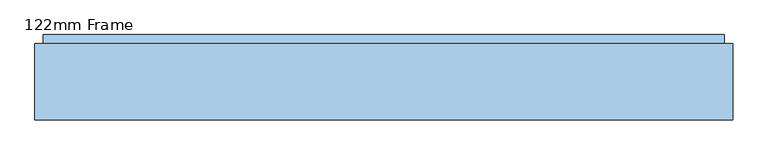
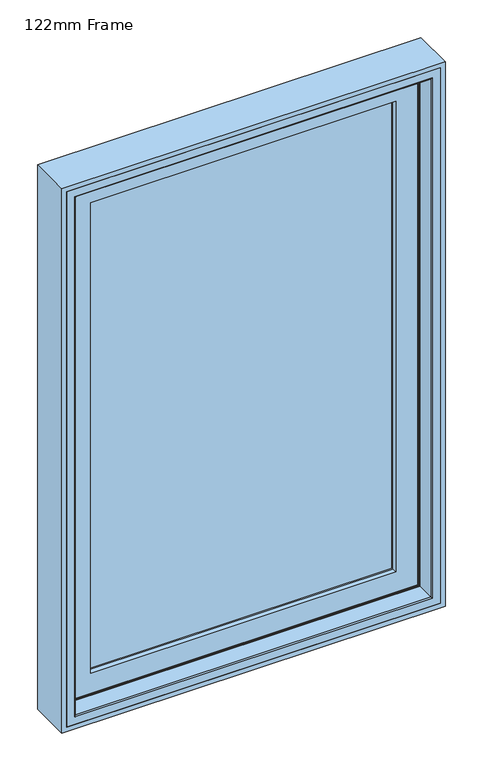
"""IFC4 building model written with IfcOpenShell, lengths in millimetres: window geometry, 122mm Frame."""

from ifc_helpers import new_model, si_unit, frame, origin, place, context, project, spatial, polyline, ellipse_curve, outline, extrude, faceted_brep, source, transform, mapped, element, save
from ifc_brep_helpers import plane_surface, cylinder_surface, advanced_brep


def window_122mm_frame_87cf3eef(model_context):
    return source(origin(), model_context, "Body", "SolidModel", [
        extrude(outline(polyline([(2300.0, -500.0), (800.0, -500.0), (800.0, 500.0), (2300.0, 500.0), (2300.0, -500.0)]), holes=[polyline([(2288.0, 488.0), (812.0, 488.0), (812.0, -488.0), (2288.0, -488.0), (2288.0, 488.0)])]), frame((0.0, 32.0, 0.0), z_axis=(0.0, 1.0, 0.0), x_axis=(0.0, 0.0, 1.0)), (0.0, 0.0, 1.0), 109.0),
        extrude(outline(polyline([(-410.0, 141.0), (410.0, 141.0), (410.0, 93.0), (-410.0, 93.0), (-410.0, 141.0)])), frame((0.0, 0.0, 890.0), z_axis=(0.0, 0.0, 1.0), x_axis=(1.0, 0.0, 0.0)), (0.0, 0.0, 1.0), 1320.0),
        faceted_brep([(-432.3998467, 148.4070391, 2232.3998467), (-432.3998467, 153.0, 2232.3998467), (-432.3998467, 153.0, 867.6001533), (-432.3998467, 148.4070391, 867.6001533), (432.3998467, 153.0, 2232.3998467), (432.3998467, 153.0, 867.6001533), (-399.2566168, 153.0, 900.7433832), (399.2566168, 153.0, 900.7433832), (399.2566168, 153.0, 2199.2566168), (-399.2566168, 153.0, 2199.2566168), (432.3998467, 148.4070391, 867.6001533), (-437.6739389, 139.5531262, 2237.6739389), (-437.6739389, 139.5531262, 862.3260611), (437.6739389, 139.5531262, 862.3260611), (-439.5133955, 139.5531262, 2239.5133955), (439.5133955, 139.5531262, 2239.5133955), (439.5133955, 139.5531262, 860.4866045), (-439.5133955, 139.5531262, 860.4866045), (437.6739389, 139.5531262, 2237.6739389), (-439.5133955, 121.0, 2239.5133955), (-439.5133955, 121.0, 860.4866045), (439.5133955, 121.0, 860.4866045), (-449.5133955, 121.0, 2249.5133955), (449.5133955, 121.0, 2249.5133955), (449.5133955, 121.0, 850.4866045), (-449.5133955, 121.0, 850.4866045), (439.5133955, 121.0, 2239.5133955), (-449.5133955, 88.5, 2249.5133955), (-449.5133955, 88.5, 850.4866045), (449.5133955, 88.5, 850.4866045), (-460.2977, 88.5, 2260.2976999), (460.2977, 88.5, 2260.2976999), (460.2977, 88.5, 839.7023), (-460.2977, 88.5, 839.7023), (449.5133955, 88.5, 2249.5133955), (-460.2977, 83.5, 2260.2976999), (-460.2977, 83.5, 839.7023), (460.2977, 83.5, 839.7023), (460.2977, 83.5, 2260.2976999), (-453.5, 83.5, 2253.5), (453.5, 83.5, 2253.5), (453.5, 83.5, 846.5), (-453.5, 83.5, 846.5), (-453.5, 78.0, 2253.5), (-453.5, 78.0, 846.5), (453.5, 78.0, 846.5), (453.5, 78.0, 2253.5), (-398.3157816, 78.0, 2198.3157816), (398.3157816, 78.0, 2198.3157816), (398.3157816, 78.0, 901.6842184), (-398.3157816, 78.0, 901.6842184), (-396.0003067, 88.8934531, 2196.0003067), (-396.0003067, 88.8934531, 903.9996933), (396.0003067, 88.8934531, 903.9996933), (-396.0003067, 93.0, 2196.0003067), (-396.0003067, 93.0, 903.9996933), (396.0003067, 93.0, 903.9996933), (-410.0, 93.0, 2210.0), (410.0, 93.0, 2210.0), (410.0, 93.0, 890.0), (-410.0, 93.0, 890.0), (396.0003067, 93.0, 2196.0003067), (-410.0, 141.0, 2210.0), (-410.0, 141.0, 890.0), (410.0, 141.0, 890.0), (410.0, 141.0, 2210.0), (-395.5878486, 141.0, 2195.5878486), (395.5878486, 141.0, 2195.5878486), (395.5878486, 141.0, 904.4121514), (-395.5878486, 141.0, 904.4121514), (432.3998467, 148.4070391, 2232.3998467), (396.0003067, 88.8934531, 2196.0003067)], [[[0, 1, 2, 3]], [[1, 4, 5, 2], [6, 7, 8, 9]], [[3, 2, 5, 10]], [[11, 0, 3, 12]], [[12, 3, 10, 13]], [[14, 15, 16, 17], [12, 13, 18, 11]], [[19, 14, 17, 20]], [[20, 17, 16, 21]], [[22, 23, 24, 25], [20, 21, 26, 19]], [[27, 22, 25, 28]], [[28, 25, 24, 29]], [[30, 31, 32, 33], [28, 29, 34, 27]], [[35, 30, 33, 36]], [[36, 33, 32, 37]], [[36, 37, 38, 35], [39, 40, 41, 42]], [[43, 39, 42, 44]], [[44, 42, 41, 45]], [[44, 45, 46, 43], [47, 48, 49, 50]], [[51, 47, 50, 52]], [[52, 50, 49, 53]], [[54, 51, 52, 55]], [[55, 52, 53, 56]], [[57, 58, 59, 60], [55, 56, 61, 54]], [[62, 57, 60, 63]], [[63, 60, 59, 64]], [[63, 64, 65, 62], [66, 67, 68, 69]], [[9, 66, 69, 6]], [[6, 69, 68, 7]], [[10, 5, 4, 70]], [[13, 10, 70, 18]], [[21, 16, 15, 26]], [[29, 24, 23, 34]], [[37, 32, 31, 38]], [[45, 41, 40, 46]], [[53, 49, 48, 71]], [[56, 53, 71, 61]], [[64, 59, 58, 65]], [[7, 68, 67, 8]], [[70, 4, 1, 0]], [[18, 70, 0, 11]], [[26, 15, 14, 19]], [[34, 23, 22, 27]], [[38, 31, 30, 35]], [[46, 40, 39, 43]], [[71, 48, 47, 51]], [[61, 71, 51, 54]], [[65, 58, 57, 62]], [[8, 67, 66, 9]]]),
        advanced_brep(
        [(-464.0, 83.0, 2264.0), (-464.0, 35.0, 2264.0), (-464.0, 35.0, 836.0), (-464.0, 83.0, 836.0), (-467.0, 32.0, 2267.0), (-467.0, 32.0, 833.0), (464.0, 35.0, 836.0), (464.0, 83.0, 836.0), (464.0, 83.0, 2264.0), (-462.0, 83.0, 2262.0), (462.0, 83.0, 2262.0), (462.0, 83.0, 838.0), (-462.0, 83.0, 838.0), (-462.0, 111.4, 2262.0), (-462.0, 111.4, 838.0), (462.0, 111.4, 838.0), (462.0, 111.4, 2262.0), (-453.9000002, 111.4, 2253.9000002), (453.9000002, 111.4, 2253.9000002), (453.9000002, 111.4, 846.0999998), (-453.9000002, 111.4, 846.0999998), (-453.9000002, 126.0, 2253.9000002), (-453.9000002, 126.0, 846.0999998), (453.9000002, 126.0, 846.0999998), (453.9000002, 126.0, 2253.9000002), (-446.7201943, 126.0, 2246.7201943), (446.7201943, 126.0, 2246.7201943), (446.7201943, 126.0, 853.2798057), (-446.7201943, 126.0, 853.2798057), (-446.7201943, 140.2372876, 2246.7201943), (-446.7201943, 140.2372876, 853.2798057), (446.7201943, 140.2372876, 853.2798057), (446.7201943, 140.2372876, 2246.7201943), (-438.0131086, 140.2372876, 2238.0131086), (438.0131086, 140.2372876, 2238.0131086), (438.0131086, 140.2372876, 861.9868914), (-438.0131086, 140.2372876, 861.9868914), (-438.0131086, 143.3877115, 2238.0131086), (-438.0131086, 143.3877115, 861.9868914), (438.0131086, 143.3877115, 861.9868914), (-441.2576108, 154.0, 2241.2576108), (-441.2576108, 154.0, 858.7423892), (441.2576108, 154.0, 858.7423892), (-488.0, 154.0, 2288.0), (488.0, 154.0, 2288.0), (488.0, 154.0, 812.0), (-488.0, 154.0, 812.0), (441.2576108, 154.0, 2241.2576108), (-488.0, 90.5, 2288.0), (-488.0, 90.5, 812.0), (488.0, 90.5, 812.0), (488.0, 90.5, 2288.0), (-481.0, 90.5, 2281.0), (481.0, 90.5, 2281.0), (481.0, 90.5, 819.0), (-481.0, 90.5, 819.0), (467.0, 32.0, 833.0), (464.0, 35.0, 2264.0), (438.0131086, 143.3877115, 2238.0131086), (467.0, 32.0, 2267.0), (-488.0, 32.0, 812.0), (488.0, 32.0, 812.0), (488.0, 32.0, 2288.0), (-488.0, 32.0, 2288.0), (-488.0, 86.5, 812.0), (488.0, 86.5, 812.0), (488.0, 86.5, 2288.0), (-488.0, 86.5, 2288.0), (-481.0, 86.5, 2281.0), (-481.0, 86.5, 819.0), (481.0, 86.5, 819.0), (481.0, 86.5, 2281.0)],
        [
            (0, 1),
            (1, 2),
            (2, 3),
            (3, 0),
            (1, 4, ellipse_curve(frame((-467.0, 35.0, 2267.0), z_axis=(-0.7071067811865475, 0.0, -0.7071067811865475), x_axis=(-0.7071067811865474, 0.0, 0.7071067811865476)), 4.2426407, 3.0)),
            (4, 5),
            (5, 2, ellipse_curve(frame((-467.0, 35.0, 833.0), z_axis=(-0.7071067811865475, 0.0, 0.7071067811865475), x_axis=(0.7071067811865474, 0.0, 0.7071067811865476)), 4.2426407, 3.0)),
            (2, 6),
            (6, 7),
            (7, 3),
            (7, 8),
            (8, 0),
            (9, 10),
            (10, 11),
            (11, 12),
            (12, 9),
            (13, 9),
            (12, 14),
            (14, 13),
            (11, 15),
            (15, 14),
            (15, 16),
            (16, 13),
            (17, 18),
            (18, 19),
            (19, 20),
            (20, 17),
            (21, 17),
            (20, 22),
            (22, 21),
            (19, 23),
            (23, 22),
            (23, 24),
            (24, 21),
            (25, 26),
            (26, 27),
            (27, 28),
            (28, 25),
            (29, 25),
            (28, 30),
            (30, 29),
            (27, 31),
            (31, 30),
            (31, 32),
            (32, 29),
            (33, 34),
            (34, 35),
            (35, 36),
            (36, 33),
            (37, 33),
            (36, 38),
            (38, 37),
            (35, 39),
            (39, 38),
            (40, 37),
            (38, 41),
            (41, 40),
            (39, 42),
            (42, 41),
            (43, 44),
            (44, 45),
            (45, 46),
            (46, 43),
            (42, 47),
            (47, 40),
            (48, 43),
            (46, 49),
            (49, 48),
            (45, 50),
            (50, 49),
            (50, 51),
            (51, 48),
            (52, 53),
            (53, 54),
            (54, 55),
            (55, 52),
            (5, 56),
            (56, 6, ellipse_curve(frame((467.0, 35.0, 833.0), z_axis=(-0.7071067811865475, 0.0, -0.7071067811865475), x_axis=(-0.7071067811865476, 0.0, 0.7071067811865474)), 4.2426407, 3.0)),
            (6, 57),
            (57, 8),
            (10, 16),
            (18, 24),
            (26, 32),
            (34, 58),
            (58, 39),
            (58, 47),
            (44, 51),
            (56, 59),
            (59, 57, ellipse_curve(frame((467.0, 35.0, 2267.0), z_axis=(0.7071067811865475, 0.0, -0.7071067811865475), x_axis=(-0.7071067811865474, 0.0, -0.7071067811865476)), 4.2426407, 3.0)),
            (60, 61),
            (61, 62),
            (62, 63),
            (63, 60),
            (4, 59),
            (60, 64),
            (64, 65),
            (65, 61),
            (65, 66),
            (66, 62),
            (63, 67),
            (67, 64),
            (68, 52),
            (55, 69),
            (69, 68),
            (54, 70),
            (70, 69),
            (67, 66),
            (70, 71),
            (71, 68),
            (53, 71),
            (57, 1),
            (37, 58),
        ],
        [
            plane_surface(frame((-464.0, 35.0, 2264.0), z_axis=(1.0, 0.0, 0.0), x_axis=(0.0, 0.0, -1.0))),
            cylinder_surface(frame((-467.0, 35.0, 2288.0), z_axis=(0.0, 0.0, 1.0), x_axis=(0.0, 1.0, 0.0)), 3.0),
            plane_surface(frame((-464.0, 35.0, 836.0), z_axis=(0.0, 0.0, 1.0), x_axis=(1.0, 0.0, 0.0))),
            plane_surface(frame((464.0, 83.0, 2264.0), z_axis=(0.0, -1.0, 0.0), x_axis=(-1.0, 0.0, 0.0))),
            plane_surface(frame((-462.0, 83.0, 2262.0), z_axis=(1.0, 0.0, 0.0), x_axis=(0.0, 0.0, -1.0))),
            plane_surface(frame((-462.0, 83.0, 838.0), z_axis=(0.0, 0.0, 1.0), x_axis=(1.0, 0.0, 0.0))),
            plane_surface(frame((462.0, 111.4, 2262.0), z_axis=(0.0, -1.0, 0.0), x_axis=(-1.0, 0.0, 0.0))),
            plane_surface(frame((-453.9000002, 111.4, 2253.9000002), z_axis=(1.0, 0.0, 0.0), x_axis=(0.0, 0.0, -1.0))),
            plane_surface(frame((-453.9000002, 111.4, 846.0999998), z_axis=(0.0, 0.0, 1.0), x_axis=(1.0, 0.0, 0.0))),
            plane_surface(frame((453.9000002, 126.0, 2253.9000002), z_axis=(0.0, -1.0, 0.0), x_axis=(-1.0, 0.0, 0.0))),
            plane_surface(frame((-446.7201943, 126.0, 2246.7201943), z_axis=(1.0, 0.0, 0.0), x_axis=(0.0, 0.0, -1.0))),
            plane_surface(frame((-446.7201943, 126.0, 853.2798057), z_axis=(0.0, 0.0, 1.0), x_axis=(1.0, 0.0, 0.0))),
            plane_surface(frame((446.7201943, 140.2372876, 2246.7201943), z_axis=(0.0, -1.0, 0.0), x_axis=(-1.0, 0.0, 0.0))),
            plane_surface(frame((-438.0131086, 140.2372876, 2238.0131086), z_axis=(1.0, 0.0, 0.0), x_axis=(0.0, 0.0, -1.0))),
            plane_surface(frame((-438.0131086, 140.2372876, 861.9868914), z_axis=(0.0, 0.0, 1.0), x_axis=(1.0, 0.0, 0.0))),
            plane_surface(frame((-438.0131086, 143.3877115, 2238.0131086), z_axis=(0.9563047559629344, 0.29237170472306745, 0.0), x_axis=(0.0, 0.0, -1.0))),
            plane_surface(frame((-438.0131086, 143.3877115, 861.9868914), z_axis=(0.0, 0.29237170472306745, 0.9563047559629344), x_axis=(1.0, 0.0, 0.0))),
            plane_surface(frame((441.2576108, 154.0, 2241.2576108), z_axis=(0.0, 1.0, 0.0), x_axis=(-1.0, 0.0, 0.0))),
            plane_surface(frame((-488.0, 154.0, 2288.0), z_axis=(-1.0, 0.0, 0.0), x_axis=(0.0, 0.0, -1.0))),
            plane_surface(frame((-488.0, 154.0, 812.0), z_axis=(0.0, 0.0, -1.0), x_axis=(1.0, 0.0, 0.0))),
            plane_surface(frame((488.0, 90.5, 2288.0), z_axis=(0.0, -1.0, 0.0), x_axis=(-1.0, 0.0, 0.0))),
            cylinder_surface(frame((-488.0, 35.0, 833.0), z_axis=(-1.0, 0.0, 0.0), x_axis=(0.0, 1.0, 0.0)), 3.0),
            plane_surface(frame((464.0, 35.0, 836.0), z_axis=(-1.0, 0.0, 0.0), x_axis=(0.0, 0.0, 1.0))),
            plane_surface(frame((462.0, 83.0, 838.0), z_axis=(-1.0, 0.0, 0.0), x_axis=(0.0, 0.0, 1.0))),
            plane_surface(frame((453.9000002, 111.4, 846.0999998), z_axis=(-1.0, 0.0, 0.0), x_axis=(0.0, 0.0, 1.0))),
            plane_surface(frame((446.7201943, 126.0, 853.2798057), z_axis=(-1.0, 0.0, 0.0), x_axis=(0.0, 0.0, 1.0))),
            plane_surface(frame((438.0131086, 140.2372876, 861.9868914), z_axis=(-1.0, 0.0, 0.0), x_axis=(0.0, 0.0, 1.0))),
            plane_surface(frame((438.0131086, 143.3877115, 861.9868914), z_axis=(-0.9563047559629344, 0.29237170472306745, 0.0), x_axis=(0.0, 0.0, 1.0))),
            plane_surface(frame((488.0, 154.0, 812.0), z_axis=(1.0, 0.0, 0.0), x_axis=(0.0, 0.0, 1.0))),
            cylinder_surface(frame((467.0, 35.0, 812.0), z_axis=(0.0, 0.0, -1.0), x_axis=(0.0, 1.0, 0.0)), 3.0),
            plane_surface(frame((488.0, 32.0, 2288.0), z_axis=(0.0, -1.0, 0.0), x_axis=(-1.0, 0.0, 0.0))),
            plane_surface(frame((-488.0, 86.5, 812.0), z_axis=(0.0, 0.0, -1.0), x_axis=(1.0, 0.0, 0.0))),
            plane_surface(frame((488.0, 86.5, 812.0), z_axis=(1.0, 0.0, 0.0), x_axis=(0.0, 0.0, 1.0))),
            plane_surface(frame((-488.0, 86.5, 2288.0), z_axis=(-1.0, 0.0, 0.0), x_axis=(0.0, 0.0, -1.0))),
            plane_surface(frame((-481.0, 90.5, 2281.0), z_axis=(-1.0, 0.0, 0.0), x_axis=(0.0, 0.0, -1.0))),
            plane_surface(frame((-481.0, 90.5, 819.0), z_axis=(0.0, 0.0, -1.0), x_axis=(1.0, 0.0, 0.0))),
            plane_surface(frame((481.0, 86.5, 2281.0), z_axis=(0.0, 1.0, 0.0), x_axis=(-1.0, 0.0, 0.0))),
            plane_surface(frame((481.0, 90.5, 819.0), z_axis=(1.0, 0.0, 0.0), x_axis=(0.0, 0.0, 1.0))),
            plane_surface(frame((464.0, 35.0, 2264.0), z_axis=(0.0, 0.0, -1.0), x_axis=(-1.0, 0.0, 0.0))),
            plane_surface(frame((462.0, 83.0, 2262.0), z_axis=(0.0, 0.0, -1.0), x_axis=(-1.0, 0.0, 0.0))),
            plane_surface(frame((453.9000002, 111.4, 2253.9000002), z_axis=(0.0, 0.0, -1.0), x_axis=(-1.0, 0.0, 0.0))),
            plane_surface(frame((446.7201943, 126.0, 2246.7201943), z_axis=(0.0, 0.0, -1.0), x_axis=(-1.0, 0.0, 0.0))),
            plane_surface(frame((438.0131086, 140.2372876, 2238.0131086), z_axis=(0.0, 0.0, -1.0), x_axis=(-1.0, 0.0, 0.0))),
            plane_surface(frame((438.0131086, 143.3877115, 2238.0131086), z_axis=(0.0, 0.29237170472306745, -0.9563047559629344), x_axis=(-1.0, 0.0, 0.0))),
            plane_surface(frame((488.0, 154.0, 2288.0), z_axis=(0.0, 0.0, 1.0), x_axis=(-1.0, 0.0, 0.0))),
            cylinder_surface(frame((488.0, 35.0, 2267.0), z_axis=(1.0, 0.0, 0.0), x_axis=(0.0, 1.0, 0.0)), 3.0),
            plane_surface(frame((481.0, 90.5, 2281.0), z_axis=(0.0, 0.0, 1.0), x_axis=(-1.0, 0.0, 0.0))),
            plane_surface(frame((488.0, 86.5, 2288.0), z_axis=(0.0, 0.0, 1.0), x_axis=(-1.0, 0.0, 0.0))),
        ],
        [
            (0, [[1, 2, 3, 4]]),
            (1, [[5, 6, 7, -2]]),
            (2, [[-3, 8, 9, 10]]),
            (3, [[-10, 11, 12, -4], [13, 14, 15, 16]]),
            (4, [[17, -16, 18, 19]]),
            (5, [[-18, -15, 20, 21]]),
            (6, [[-21, 22, 23, -19], [24, 25, 26, 27]]),
            (7, [[28, -27, 29, 30]]),
            (8, [[-29, -26, 31, 32]]),
            (9, [[-32, 33, 34, -30], [35, 36, 37, 38]]),
            (10, [[39, -38, 40, 41]]),
            (11, [[-40, -37, 42, 43]]),
            (12, [[-43, 44, 45, -41], [46, 47, 48, 49]]),
            (13, [[50, -49, 51, 52]]),
            (14, [[-51, -48, 53, 54]]),
            (15, [[55, -52, 56, 57]]),
            (16, [[-56, -54, 58, 59]]),
            (17, [[60, 61, 62, 63], [-59, 64, 65, -57]]),
            (18, [[66, -63, 67, 68]]),
            (19, [[-67, -62, 69, 70]]),
            (20, [[-70, 71, 72, -68], [73, 74, 75, 76]]),
            (21, [[-7, 77, 78, -8]]),
            (22, [[-9, 79, 80, -11]]),
            (23, [[-20, -14, 81, -22]]),
            (24, [[-31, -25, 82, -33]]),
            (25, [[-42, -36, 83, -44]]),
            (26, [[-53, -47, 84, 85]]),
            (27, [[-58, -85, 86, -64]]),
            (28, [[-69, -61, 87, -71]]),
            (29, [[-78, 88, 89, -79]]),
            (30, [[90, 91, 92, 93], [94, -88, -77, -6]]),
            (31, [[95, 96, 97, -90]]),
            (32, [[-97, 98, 99, -91]]),
            (33, [[100, 101, -95, -93]]),
            (34, [[102, -76, 103, 104]]),
            (35, [[-103, -75, 105, 106]]),
            (36, [[107, -98, -96, -101], [-106, 108, 109, -104]]),
            (37, [[-105, -74, 110, -108]]),
            (38, [[-80, 111, -1, -12]]),
            (39, [[-81, -13, -17, -23]]),
            (40, [[-82, -24, -28, -34]]),
            (41, [[-83, -35, -39, -45]]),
            (42, [[-84, -46, -50, 112]]),
            (43, [[-86, -112, -55, -65]]),
            (44, [[-87, -60, -66, -72]]),
            (45, [[-89, -94, -5, -111]]),
            (46, [[-110, -73, -102, -109]]),
            (47, [[-99, -107, -100, -92]]),
        ],
    ),
    ])


if __name__ == "__main__":
    model = new_model("IFC4")
    model_context = context("Model", 3, world=origin())
    ifc_project = project(units=[si_unit("LENGTHUNIT", "METRE", prefix="MILLI")], contexts=[model_context])
    site = spatial("IfcSite", under=ifc_project)
    building = spatial("IfcBuilding", under=site)
    placement = place(None, origin())
    window_122mm_frame_shape = window_122mm_frame_87cf3eef(model_context)
    element("IfcWindow", 1, ObjectType="122mm Frame", at=placement, inside=building, context=model_context, shape_type="MappedRepresentation", body=[
        mapped(window_122mm_frame_shape, transform((0.0, 0.0, 0.0), x_axis=(1.0, 0.0, 0.0), y_axis=(0.0, 1.0, 0.0), z_axis=(0.0, 0.0, 1.0))),
    ])
    save(model, "model.ifc")
